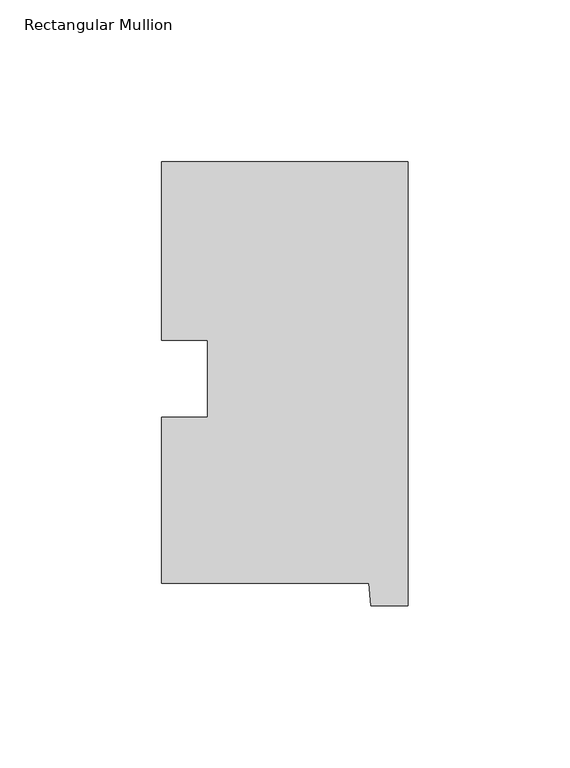
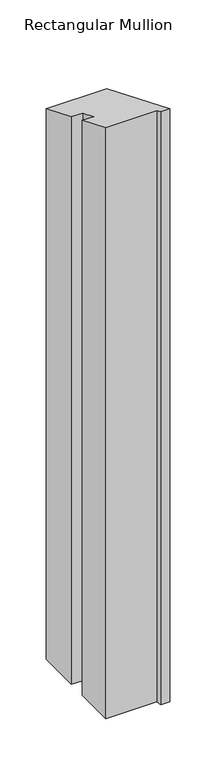
"""IFC4 building model written with IfcOpenShell, lengths in millimetres: member geometry, Rectangular Mullion."""

from ifc_helpers import new_model, si_unit, origin, place, context, project, spatial, faceted_brep, source, transform, mapped, element, save


def rectangular_mullion_d8b6f7dd(model_context):
    return source(origin(), model_context, "Body", "Brep", [
        faceted_brep([(-76.2, 130.56235, -784.3184633), (0.0, 130.56235, -784.3184633), (0.0, -6.64845, -784.3184633), (-11.4023812, -6.64845, -784.3184633), (-12.1549448, 0.26035, -784.3184633), (-76.2, 0.26035, -784.3184633), (-76.2, 51.60645, -784.3184633), (-61.960125, 51.60645, -784.3184633), (-61.960125, 75.40625, -784.3184633), (-76.2, 75.40625, -784.3184633), (-76.2, 75.40625, -31.2342914), (-76.2, 130.56235, -54.0806961), (-61.960125, 75.40625, -31.2342914), (-61.960125, 51.60645, -21.3760915), (-76.2, 51.60645, -21.3760915), (-76.2, 0.26035, -0.1078405), (-12.1549448, 0.26035, -0.1078405), (-11.4023812, -6.64845, 2.7538782), (0.0, -6.64845, 2.7538782), (0.0, 130.56235, -54.0806961)], [[[0, 1, 2, 3, 4, 5, 6, 7, 8, 9]], [[10, 11, 0, 9]], [[12, 10, 9, 8]], [[13, 12, 8, 7]], [[14, 13, 7, 6]], [[15, 14, 6, 5]], [[16, 15, 5, 4]], [[17, 16, 4, 3]], [[18, 17, 3, 2]], [[19, 18, 2, 1]], [[11, 19, 1, 0]], [[11, 10, 12, 13, 14, 15, 16, 17, 18, 19]]]),
    ])


if __name__ == "__main__":
    model = new_model("IFC4")
    model_context = context("Model", 3, world=origin())
    ifc_project = project(units=[si_unit("LENGTHUNIT", "METRE", prefix="MILLI")], contexts=[model_context])
    site = spatial("IfcSite", under=ifc_project)
    building = spatial("IfcBuilding", under=site)
    placement = place(None, origin())
    rectangular_mullion_shape = rectangular_mullion_d8b6f7dd(model_context)
    element("IfcMember", 1, ObjectType="Rectangular Mullion", at=placement, inside=building, context=model_context, shape_type="MappedRepresentation", body=[
        mapped(rectangular_mullion_shape, transform((0.0, 0.0, 0.0), x_axis=(1.0, 0.0, 0.0), y_axis=(0.0, 1.0, 0.0), z_axis=(0.0, 0.0, 1.0))),
    ])
    save(model, "model.ifc")
